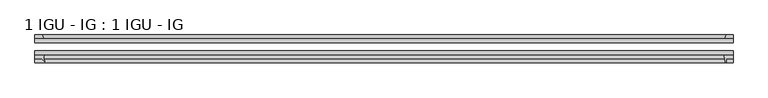
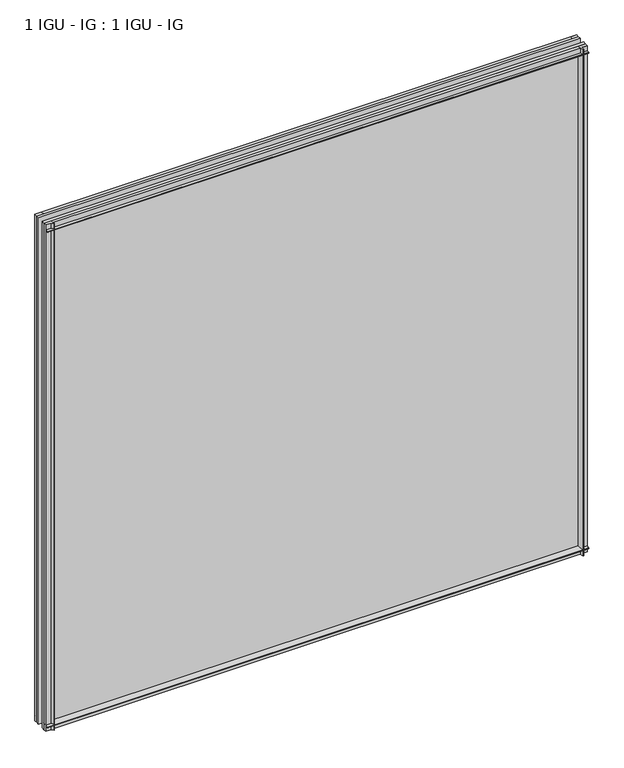
"""IFC4 building model written with IfcOpenShell, lengths in millimetres: plate geometry, 1 IGU - IG : 1 IGU - IG."""

from ifc_helpers import new_model, si_unit, point, frame, frame_2d, origin, place, context, project, spatial, polyline, circle_curve, trimmed, segment, composite_curve, outline, extrude, source, transform, mapped, element, save


def plate_1_igu_ig_1_igu_ig_2bcaa8f8(model_context):
    return source(origin(), model_context, "Body", "SweptSolid", [
        extrude(outline(polyline([(538.1625, -31.75), (538.1625, -38.1), (-576.2625, -38.1), (-576.2625, -31.75), (538.1625, -31.75)])), frame((0.0, 0.0, -11.1125), z_axis=(0.0, 0.0, 1.0), x_axis=(1.0, 0.0, 0.0)), (0.0, 0.0, 1.0), 1101.7245636),
        extrude(outline(polyline([(-576.2625, -12.7), (538.1625, -12.7), (538.1625, -19.05), (-576.2625, -19.05), (-576.2625, -12.7)])), frame((0.0, 0.0, -11.1125), z_axis=(0.0, 0.0, 1.0), x_axis=(1.0, 0.0, 0.0)), (0.0, 0.0, 1.0), 1101.7245636),
        extrude(outline(polyline([(-562.2035601, -12.7), (-576.2625, -12.7), (-576.2625, -6.35), (-564.3088372, -6.35), (-562.2035601, -12.7)])), frame((0.0, 0.0, -11.1125), z_axis=(0.0, 0.0, 1.0), x_axis=(1.0, 0.0, 0.0)), (0.0, 0.0, 1.0), 1101.7245636),
        extrude(outline(composite_curve([segment(trimmed(circle_curve(frame_2d((-553.4114011, -42.5735189)), 8.7187667), [point((-560.895018, -38.1))], [point((-560.4113071, -47.7714232))], True, "CARTESIAN"), True, "CONTINUOUS"), segment(trimmed(circle_curve(frame_2d((-561.0230826, -48.225708)), 0.762), [point((-560.4113071, -47.7714232))], [point((-560.6892906, -48.9107094))], False, "CARTESIAN"), True, "CONTINUOUS"), segment(polyline([(-560.6892906, -48.9107094), (-565.15, -44.45), (-576.2625, -44.45), (-576.2625, -38.1), (-560.895018, -38.1)]), True, "CONTINUOUS")], self_intersect=False)), frame((0.0, 0.0, -11.1125), z_axis=(0.0, 0.0, 1.0), x_axis=(1.0, 0.0, 0.0)), (0.0, 0.0, 1.0), 1101.7245636),
        extrude(outline(polyline([(538.1625, -12.7), (524.9447229, -12.7), (527.05, -6.35), (538.1625, -6.35), (538.1625, -12.7)])), frame((0.0, 0.0, -11.1125), z_axis=(0.0, 0.0, 1.0), x_axis=(1.0, 0.0, 0.0)), (0.0, 0.0, 1.0), 1101.7245636),
        extrude(outline(composite_curve([segment(polyline([(522.8688207, -38.1), (538.1625, -38.1), (538.1625, -44.45), (527.05, -44.45), (527.05, -50.8), (526.1300991, -50.8)]), True, "CONTINUOUS"), segment(trimmed(circle_curve(frame_2d((526.1300991, -50.038)), 0.762), [point((526.1300991, -50.8))], [point((525.3700572, -50.0925922))], False, "CARTESIAN"), True, "CONTINUOUS"), segment(trimmed(circle_curve(frame_2d((479.6098044, -53.3794536)), 45.8781451), [point((525.3700572, -50.0925922))], [point((522.8688207, -38.1))], True, "CARTESIAN"), True, "CONTINUOUS")], self_intersect=False)), frame((0.0, 0.0, -11.1125), z_axis=(0.0, 0.0, 1.0), x_axis=(1.0, 0.0, 0.0)), (0.0, 0.0, 1.0), 1101.7245636),
        extrude(outline(polyline([(-12.7, -11.1125), (-12.7, 2.1052771), (-6.35, 0.0), (-6.35, -11.1125), (-12.7, -11.1125)])), frame((-576.2625, 0.0, 0.0), z_axis=(1.0, 0.0, 0.0), x_axis=(0.0, 1.0, 0.0)), (0.0, 0.0, 1.0), 1114.425),
        extrude(outline(composite_curve([segment(polyline([(-38.1, 4.1811793), (-38.1, -11.1125), (-44.45, -11.1125), (-44.45, 0.0), (-50.8, 0.0), (-50.8, 0.9199009)]), True, "CONTINUOUS"), segment(trimmed(circle_curve(frame_2d((-50.038, 0.9199009)), 0.762), [point((-50.8, 0.9199009))], [point((-50.0925922, 1.6799428))], False, "CARTESIAN"), True, "CONTINUOUS"), segment(trimmed(circle_curve(frame_2d((-53.3794536, 47.4401956)), 45.8781451), [point((-50.0925922, 1.6799428))], [point((-38.1, 4.1811793))], True, "CARTESIAN"), True, "CONTINUOUS")], self_intersect=False)), frame((-576.2625, 0.0, 0.0), z_axis=(1.0, 0.0, 0.0), x_axis=(0.0, 1.0, 0.0)), (0.0, 0.0, 1.0), 1114.425),
        extrude(outline(polyline([(-6.35, 1079.4995636), (-12.7, 1077.3942865), (-12.7, 1090.6120636), (-6.35, 1090.6120636), (-6.35, 1079.4995636)])), frame((-576.2625, 0.0, 0.0), z_axis=(1.0, 0.0, 0.0), x_axis=(0.0, 1.0, 0.0)), (0.0, 0.0, 1.0), 1114.425),
        extrude(outline(composite_curve([segment(polyline([(-38.1, 1090.6120636), (-38.1, 1075.3183843)]), True, "CONTINUOUS"), segment(trimmed(circle_curve(frame_2d((-53.3794536, 1032.059368)), 45.8781451), [point((-38.1, 1075.3183843))], [point((-50.0925922, 1077.8196208))], True, "CARTESIAN"), True, "CONTINUOUS"), segment(trimmed(circle_curve(frame_2d((-50.038, 1078.5796627)), 0.762), [point((-50.0925922, 1077.8196208))], [point((-50.8, 1078.5796627))], False, "CARTESIAN"), True, "CONTINUOUS"), segment(polyline([(-50.8, 1078.5796627), (-50.8, 1079.4995636), (-44.45, 1079.4995636), (-44.45, 1090.6120636), (-38.1, 1090.6120636)]), True, "CONTINUOUS")], self_intersect=False)), frame((-576.2625, 0.0, 0.0), z_axis=(1.0, 0.0, 0.0), x_axis=(0.0, 1.0, 0.0)), (0.0, 0.0, 1.0), 1114.425),
    ])


if __name__ == "__main__":
    model = new_model("IFC4")
    model_context = context("Model", 3, world=origin())
    ifc_project = project(units=[si_unit("LENGTHUNIT", "METRE", prefix="MILLI")], contexts=[model_context])
    site = spatial("IfcSite", under=ifc_project)
    building = spatial("IfcBuilding", under=site)
    placement = place(None, origin())
    plate_1_igu_ig_1_igu_ig_shape = plate_1_igu_ig_1_igu_ig_2bcaa8f8(model_context)
    element("IfcPlate", 1, ObjectType="1 IGU - IG : 1 IGU - IG", at=placement, inside=building, context=model_context, shape_type="MappedRepresentation", body=[
        mapped(plate_1_igu_ig_1_igu_ig_shape, transform((0.0, 0.0, 0.0), x_axis=(1.0, 0.0, 0.0), y_axis=(0.0, 1.0, 0.0), z_axis=(0.0, 0.0, 1.0))),
    ])
    save(model, "model.ifc")
